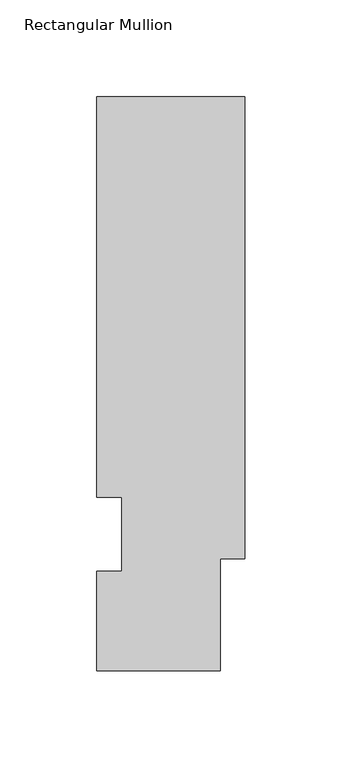
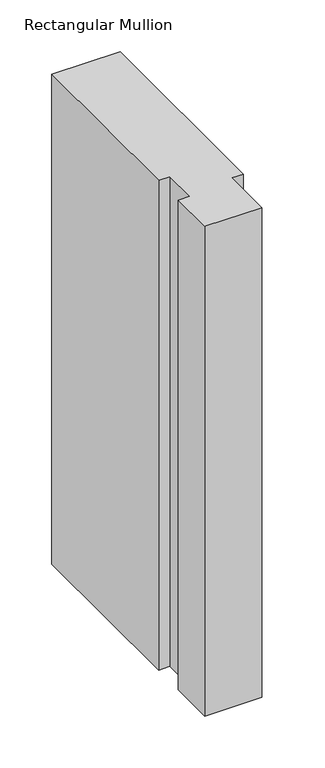
"""IFC4 building model written with IfcOpenShell, lengths in millimetres: member geometry, Rectangular Mullion."""

from ifc_helpers import new_model, si_unit, frame, origin, place, context, project, spatial, polyline, outline, extrude, source, transform, mapped, element, save


def rectangular_mullion_0d94ebcc(model_context):
    return source(origin(), model_context, "Body", "SweptSolid", [
        extrude(outline(polyline([(0.0, 295.9695313), (0.0, 57.8445313), (-12.7, 57.8445313), (-12.7, 0.041758), (-76.2, 0.041758), (-76.2, 51.4945313), (-63.5127001, 51.4945313), (-63.5127001, 89.5945313), (-76.2000001, 89.5945312), (-76.2000001, 295.9695313), (0.0, 295.9695313)])), frame((0.0, 0.0, -577.85), z_axis=(0.0, 0.0, 1.0), x_axis=(1.0, 0.0, 0.0)), (0.0, 0.0, 1.0), 577.85),
    ])


if __name__ == "__main__":
    model = new_model("IFC4")
    model_context = context("Model", 3, world=origin())
    ifc_project = project(units=[si_unit("LENGTHUNIT", "METRE", prefix="MILLI")], contexts=[model_context])
    site = spatial("IfcSite", under=ifc_project)
    building = spatial("IfcBuilding", under=site)
    placement = place(None, origin())
    rectangular_mullion_shape = rectangular_mullion_0d94ebcc(model_context)
    element("IfcMember", 1, ObjectType="Rectangular Mullion", at=placement, inside=building, context=model_context, shape_type="MappedRepresentation", body=[
        mapped(rectangular_mullion_shape, transform((0.0, 0.0, 0.0), x_axis=(1.0, 0.0, 0.0), y_axis=(0.0, 1.0, 0.0), z_axis=(0.0, 0.0, 1.0))),
    ])
    save(model, "model.ifc")
